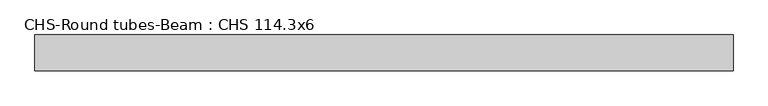
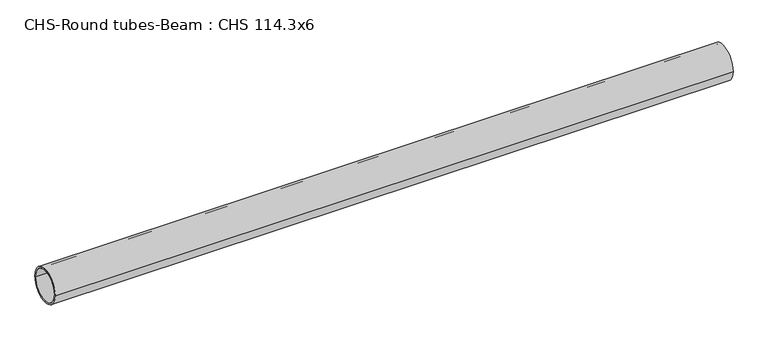
"""IFC4 building model written with IfcOpenShell, lengths in millimetres: beam geometry, CHS-Round tubes-Beam : CHS 114.3x6."""

from ifc_helpers import new_model, si_unit, point, frame, origin, origin_2d, place, context, project, spatial, circle_curve, trimmed, segment, composite_curve, outline, extrude, source, transform, mapped, element, save


def chs_round_tubes_beam_chs_114_3x6_1815ddbe(model_context):
    return source(origin(), model_context, "Body", "SweptSolid", [
        extrude(outline(composite_curve([segment(trimmed(circle_curve(origin_2d(), 57.15), [point((57.15, 0.0))], [point((-57.15, 0.0))], False, "CARTESIAN"), True, "CONTINUOUS"), segment(trimmed(circle_curve(origin_2d(), 57.15), [point((-57.15, 0.0))], [point((57.15, 0.0))], False, "CARTESIAN"), True, "CONTINUOUS")], self_intersect=False), holes=[composite_curve([segment(trimmed(circle_curve(origin_2d(), 51.15), [point((51.15, 0.0))], [point((-51.15, 0.0))], True, "CARTESIAN"), True, "CONTINUOUS"), segment(trimmed(circle_curve(origin_2d(), 51.15), [point((-51.15, 0.0))], [point((51.15, 0.0))], True, "CARTESIAN"), True, "CONTINUOUS")], self_intersect=False)]), frame((-1106.6947047, 0.0, 0.0), z_axis=(1.0, 0.0, 0.0), x_axis=(0.0, 1.0, 0.0)), (0.0, 0.0, 1.0), 2214.96353),
    ])


if __name__ == "__main__":
    model = new_model("IFC4")
    model_context = context("Model", 3, world=origin())
    ifc_project = project(units=[si_unit("LENGTHUNIT", "METRE", prefix="MILLI")], contexts=[model_context])
    site = spatial("IfcSite", under=ifc_project)
    building = spatial("IfcBuilding", under=site)
    placement = place(None, origin())
    chs_round_tubes_beam_chs_114_3x6_shape = chs_round_tubes_beam_chs_114_3x6_1815ddbe(model_context)
    element("IfcBeam", 1, ObjectType="CHS-Round tubes-Beam : CHS 114.3x6", at=placement, inside=building, context=model_context, shape_type="MappedRepresentation", body=[
        mapped(chs_round_tubes_beam_chs_114_3x6_shape, transform((0.0, 0.0, 0.0), x_axis=(1.0, 0.0, 0.0), y_axis=(0.0, 1.0, 0.0), z_axis=(0.0, 0.0, 1.0))),
    ])
    save(model, "model.ifc")
